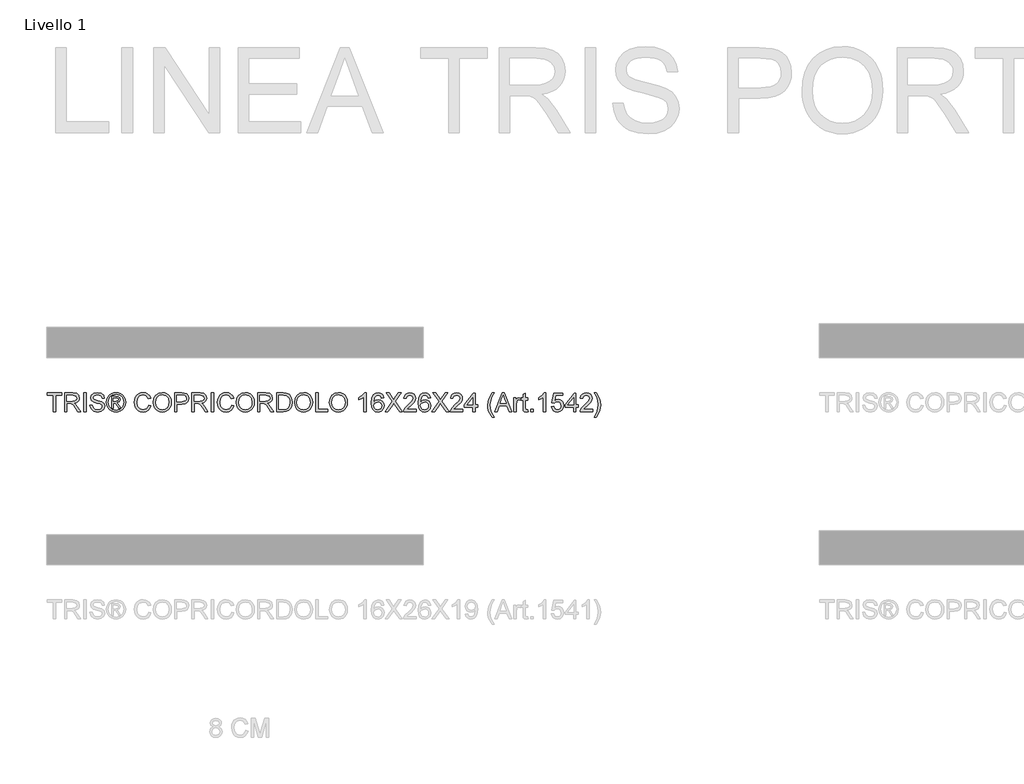
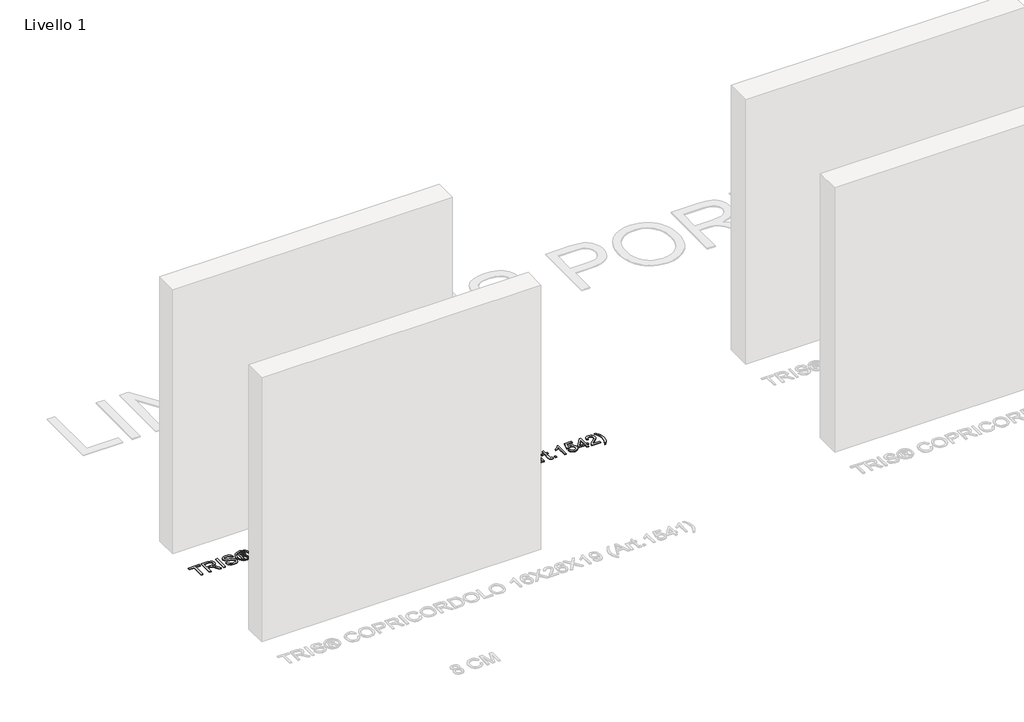
# One storey, part 3 of 19: 1 proxy.
"""IFC4 building model written with IfcOpenShell, lengths in millimetres."""

from ifc_helpers import new_model, si_unit, origin, origin_with_axes, place, context, project, spatial, polyline, outline, extrude, element, save

model = new_model("IFC4")

# Units and contexts
model_context = context("Model", 3, world=origin())
ifc_project = project(units=[si_unit("LENGTHUNIT", "METRE", prefix="MILLI")], contexts=[model_context])

# Site, building, storey
site = spatial("IfcSite", under=ifc_project)
building = spatial("IfcBuilding", under=site)
storey = spatial("IfcBuildingStorey", under=building, Name="Livello 1", Elevation=0.0)

# Proxy
placement = place(None, origin())
element("IfcBuildingElementProxy", 1, Name="100", ObjectType="100", at=placement, inside=storey, context=model_context, shape_type="SweptSolid", body=[
    extrude(outline(polyline([(-5200.6104208, -3056.1057849), (-5200.6104208, -2968.2065135), (-5233.5726476, -2968.2065135), (-5233.5726476, -2955.6494748), (-5155.0911553, -2955.6494748), (-5155.0911553, -2968.2065135), (-5188.053382, -2968.2065135), (-5188.053382, -3056.1057849), (-5200.6104208, -3056.1057849)])), origin_with_axes(), (0.0, 0.0, 1.0), 5.0),
    extrude(outline(polyline([(-5140.9644866, -3056.1057849), (-5140.9644866, -2955.6494748), (-5097.6770385, -2955.6494748), (-5077.5784189, -2958.3595388), (-5066.59101, -2967.9489961), (-5062.4829943, -2983.1425225), (-5064.1844486, -2993.0385482), (-5069.2888112, -3001.2423167), (-5077.9493666, -3007.2571873), (-5090.3193986, -3010.5865194), (-5083.1824879, -3015.9575965), (-5073.0044194, -3028.8825173), (-5056.2535259, -3056.1057849), (-5070.8461784, -3056.1057849), (-5083.9182519, -3035.283664), (-5093.3605565, -3021.5003519), (-5099.9946951, -3014.9888406), (-5105.9666462, -3012.5976076), (-5113.2507097, -3012.1561492), (-5128.4074479, -3012.1561492), (-5128.4074479, -3056.1057849), (-5140.9644866, -3056.1057849)]), holes=[polyline([(-5128.4074479, -2999.5991105), (-5100.3012634, -2999.5991105), (-5085.9661284, -2997.8210142), (-5077.8236735, -2992.131106), (-5075.0400331, -2983.6085064), (-5080.3497966, -2972.5475211), (-5097.1374783, -2968.2065135), (-5128.4074479, -2968.2065135), (-5128.4074479, -2999.5991105)])]), origin_with_axes(), (0.0, 0.0, 1.0), 5.0),
    extrude(outline(polyline([(-5038.9385466, -3056.1057849), (-5038.9385466, -2955.6494748), (-5026.3815079, -2955.6494748), (-5026.3815079, -3056.1057849), (-5038.9385466, -3056.1057849)])), origin_with_axes(), (0.0, 0.0, 1.0), 5.0),
    extrude(outline(polyline([(-5005.9763199, -3021.5739283), (-4993.4192811, -3021.5739283), (-4989.3725792, -3034.1432298), (-4979.4888162, -3042.0894809), (-4964.4301799, -3045.118376), (-4951.3090554, -3042.8252449), (-4942.8355068, -3036.5222), (-4940.0518663, -3028.0977024), (-4942.136531, -3020.2618159), (-4950.6713933, -3014.5596449), (-4968.9551284, -3009.7649163), (-4988.6368152, -3003.572236), (-4999.3176558, -2994.2280333), (-5002.8370602, -2981.744571), (-4998.4837899, -2967.5320632), (-4985.7673356, -2957.5011475), (-4967.1525067, -2954.0798449), (-4947.2868789, -2957.660563), (-4934.0431271, -2968.1819881), (-4929.0644574, -2983.902812), (-4941.6214962, -2983.902812), (-4943.92689, -2976.410282), (-4948.7338814, -2971.0024167), (-4966.6619973, -2966.6368837), (-4984.6391642, -2970.9533658), (-4990.2800214, -2981.376689), (-4986.2823704, -2990.0832295), (-4965.7790805, -2997.0975129), (-4943.559008, -3003.4005578), (-4931.4066395, -3013.5786263), (-4927.4948276, -3027.7788713), (-4931.9952506, -3042.8007194), (-4944.9446969, -3053.7636029), (-4963.9396706, -3057.6754148), (-4986.3682095, -3053.4570346), (-5000.5561918, -3040.752843), (-5005.9763199, -3021.5739283)])), origin_with_axes(), (0.0, 0.0, 1.0), 5.0),
    extrude(outline(polyline([(-4891.3933411, -3037.2702268), (-4891.3933411, -2974.4850329), (-4871.1107804, -2974.4850329), (-4856.0521441, -2976.2140783), (-4848.6331905, -2982.247343), (-4845.8740756, -2991.4076047), (-4850.632016, -3003.3269814), (-4863.2381058, -3009.0168895), (-4858.3330125, -3012.352353), (-4849.7736247, -3024.8848663), (-4842.7348159, -3037.2702268), (-4853.3298173, -3037.2702268), (-4858.8480473, -3027.3128874), (-4868.0941481, -3012.8919132), (-4876.1139756, -3010.5865194), (-4881.975562, -3010.5865194), (-4881.975562, -3037.2702268), (-4891.3933411, -3037.2702268)]), holes=[polyline([(-4881.975562, -3001.1687403), (-4870.0561854, -3001.1687403), (-4858.4065889, -2998.7775073), (-4855.2918547, -2992.4376743), (-4856.7879081, -2987.8759376), (-4860.9449746, -2984.8838307), (-4870.8164749, -2983.902812), (-4881.975562, -2983.902812), (-4881.975562, -3001.1687403)])]), origin_with_axes(), (0.0, 0.0, 1.0), 5.0),
    extrude(outline(polyline([(-4867.824368, -2954.0798449), (-4854.930104, -2955.753708), (-4842.3424084, -2960.7752972), (-4831.2844888, -2968.9116207), (-4822.9795527, -2979.9296865), (-4817.7832196, -2992.6522721), (-4816.0511085, -3005.9021553), (-4817.7586941, -3019.0355425), (-4822.8814509, -3031.653895), (-4831.0852194, -3042.6321069), (-4842.0358401, -3050.8450724), (-4854.6449955, -3055.9678292), (-4867.824368, -3057.6754148), (-4880.9853463, -3055.9678292), (-4893.5883704, -3050.8450724), (-4904.5481881, -3042.6321069), (-4912.7795478, -3031.653895), (-4917.9298957, -3019.0355425), (-4919.6466783, -3005.9021553), (-4917.9053702, -2992.6522721), (-4912.6814459, -2979.9296865), (-4904.3489187, -2968.9116207), (-4893.281802, -2960.7752972), (-4880.7002378, -2955.753708), (-4867.824368, -2954.0798449)]), holes=[polyline([(-4867.824368, -2963.497624), (-4888.6464889, -2968.9790657), (-4897.6749262, -2975.6407955), (-4904.5022029, -2984.6631015), (-4910.2288993, -3005.9021553), (-4904.6125675, -3026.9572682), (-4888.8917435, -3042.6413039), (-4867.824368, -3048.2576357), (-4846.7447296, -3042.6413039), (-4831.0606939, -3026.9572682), (-4825.4688876, -3005.9021553), (-4831.1587958, -2984.6631015), (-4837.9676784, -2975.6407955), (-4847.0145098, -2968.9790657), (-4867.824368, -2963.497624)])]), origin_with_axes(), (0.0, 0.0, 1.0), 5.0),
    extrude(outline(polyline([(-4695.1896104, -3020.3967059), (-4682.6325716, -3023.6340675), (-4688.426713, -3038.2665738), (-4697.5195297, -3048.9566115), (-4709.4634318, -3055.495714), (-4723.8108296, -3057.6754148), (-4738.3758909, -3056.0260772), (-4749.942714, -3051.0780643), (-4758.8086701, -3043.0030545), (-4765.2711304, -3031.972726), (-4770.531843, -3005.1173404), (-4769.0449866, -2990.4695056), (-4764.5844174, -2977.8204964), (-4757.3831273, -2967.5719171), (-4747.6741083, -2960.1253724), (-4736.1594019, -2955.5912268), (-4723.5410494, -2954.0798449), (-4709.7730658, -2956.0357509), (-4698.3901837, -2961.9034687), (-4689.7480225, -2971.3212478), (-4684.2022014, -2983.9273375), (-4696.7592402, -2986.9194444), (-4707.0599361, -2971.4806633), (-4724.0315588, -2966.6368837), (-4743.6764573, -2972.0079608), (-4754.7742308, -2986.428935), (-4757.9748042, -3005.0928149), (-4754.1856196, -3026.7242762), (-4742.3888703, -3040.5443765), (-4725.0616284, -3045.118376), (-4714.5800572, -3043.5610089), (-4705.8459255, -3038.8889076), (-4699.2516407, -3031.1511229), (-4695.1896104, -3020.3967059)])), origin_with_axes(), (0.0, 0.0, 1.0), 5.0),
    extrude(outline(polyline([(-4670.0755328, -3007.202005), (-4666.7278067, -2984.9880639), (-4656.6846282, -2968.1819881), (-4641.3500804, -2957.6053807), (-4622.1282461, -2954.0798449), (-4608.9519393, -2955.7353139), (-4597.1367959, -2960.7017208), (-4587.3266094, -2968.6295778), (-4580.1651732, -2979.169397), (-4575.7873775, -2991.8122749), (-4574.3281122, -3006.0493081), (-4575.8640195, -3020.4764137), (-4580.4717415, -3033.2971012), (-4587.8968265, -3043.8553145), (-4597.8848226, -3051.4949973), (-4609.5987985, -3056.1303104), (-4622.2018225, -3057.6754148), (-4635.5804644, -3055.9678292), (-4647.4630528, -3050.8450724), (-4657.2487139, -3042.7700626), (-4664.3365737, -3032.205718), (-4670.0755328, -3007.202005)]), holes=[polyline([(-4657.518494, -3007.3246324), (-4655.0076994, -3023.0393249), (-4647.4753156, -3035.0138839), (-4636.1537472, -3042.592253), (-4622.2753989, -3045.118376), (-4608.1947155, -3042.5677275), (-4596.854753, -3034.915782), (-4589.3775515, -3022.5733411), (-4586.885151, -3005.9512062), (-4591.1525821, -2985.2271872), (-4603.6237818, -2971.5051888), (-4622.0546697, -2966.6368837), (-4635.5620703, -2968.9821314), (-4647.0461199, -2976.0178746), (-4654.9004005, -2988.5350595), (-4657.518494, -3007.3246324)])]), origin_with_axes(), (0.0, 0.0, 1.0), 5.0),
    extrude(outline(polyline([(-4557.0621839, -3056.1057849), (-4557.0621839, -2955.6494748), (-4519.832526, -2955.6494748), (-4504.8229406, -2956.605968), (-4492.6215211, -2961.3025948), (-4484.7120582, -2971.0146794), (-4481.7199513, -2984.7121524), (-4483.7402366, -2996.5518213), (-4489.8010924, -3006.4171901), (-4501.1349236, -3013.0758542), (-4518.9741347, -3015.2954089), (-4544.5051451, -3015.2954089), (-4544.5051451, -3056.1057849), (-4557.0621839, -3056.1057849)]), holes=[polyline([(-4544.5051451, -3002.7383702), (-4518.2383707, -3002.7383702), (-4499.7461691, -2998.1275825), (-4495.6442848, -2992.5786957), (-4494.2769901, -2985.1536108), (-4497.5020889, -2974.7548131), (-4505.9756375, -2969.0649049), (-4518.5326763, -2968.2065135), (-4544.5051451, -2968.2065135), (-4544.5051451, -3002.7383702)])]), origin_with_axes(), (0.0, 0.0, 1.0), 5.0),
    extrude(outline(polyline([(-4464.454023, -3056.1057849), (-4464.454023, -2955.6494748), (-4421.1665749, -2955.6494748), (-4401.0679552, -2958.3595388), (-4390.0805463, -2967.9489961), (-4385.9725307, -2983.1425225), (-4387.6739849, -2993.0385482), (-4392.7783476, -3001.2423167), (-4401.4389029, -3007.2571873), (-4413.808935, -3010.5865194), (-4406.6720243, -3015.9575965), (-4396.4939557, -3028.8825173), (-4379.7430622, -3056.1057849), (-4394.3357147, -3056.1057849), (-4407.4077883, -3035.283664), (-4416.8500928, -3021.5003519), (-4423.4842314, -3014.9888406), (-4429.4561825, -3012.5976076), (-4436.740246, -3012.1561492), (-4451.8969842, -3012.1561492), (-4451.8969842, -3056.1057849), (-4464.454023, -3056.1057849)]), holes=[polyline([(-4451.8969842, -2999.5991105), (-4423.7907998, -2999.5991105), (-4409.4556647, -2997.8210142), (-4401.3132099, -2992.131106), (-4398.5295694, -2983.6085064), (-4403.8393329, -2972.5475211), (-4420.6270146, -2968.2065135), (-4451.8969842, -2968.2065135), (-4451.8969842, -2999.5991105)])]), origin_with_axes(), (0.0, 0.0, 1.0), 5.0),
    extrude(outline(polyline([(-4362.428083, -3056.1057849), (-4362.428083, -2955.6494748), (-4349.8710442, -2955.6494748), (-4349.8710442, -3056.1057849), (-4362.428083, -3056.1057849)])), origin_with_axes(), (0.0, 0.0, 1.0), 5.0),
    extrude(outline(polyline([(-4254.1236236, -3020.3967059), (-4241.5665848, -3023.6340675), (-4247.3607263, -3038.2665738), (-4256.4535429, -3048.9566115), (-4268.397445, -3055.495714), (-4282.7448428, -3057.6754148), (-4297.3099042, -3056.0260772), (-4308.8767272, -3051.0780643), (-4317.7426833, -3043.0030545), (-4324.2051437, -3031.972726), (-4329.4658562, -3005.1173404), (-4327.9789998, -2990.4695056), (-4323.5184306, -2977.8204964), (-4316.3171406, -2967.5719171), (-4306.6081216, -2960.1253724), (-4295.0934151, -2955.5912268), (-4282.4750627, -2954.0798449), (-4268.707079, -2956.0357509), (-4257.324197, -2961.9034687), (-4248.6820358, -2971.3212478), (-4243.1362147, -2983.9273375), (-4255.6932534, -2986.9194444), (-4265.9939493, -2971.4806633), (-4282.965572, -2966.6368837), (-4302.6104706, -2972.0079608), (-4313.7082441, -2986.428935), (-4316.9088174, -3005.0928149), (-4313.1196329, -3026.7242762), (-4301.3228836, -3040.5443765), (-4283.9956416, -3045.118376), (-4273.5140704, -3043.5610089), (-4264.7799387, -3038.8889076), (-4258.185654, -3031.1511229), (-4254.1236236, -3020.3967059)])), origin_with_axes(), (0.0, 0.0, 1.0), 5.0),
    extrude(outline(polyline([(-4229.0095461, -3007.202005), (-4225.6618199, -2984.9880639), (-4215.6186414, -2968.1819881), (-4200.2840936, -2957.6053807), (-4181.0622594, -2954.0798449), (-4167.8859526, -2955.7353139), (-4156.0708092, -2960.7017208), (-4146.2606226, -2968.6295778), (-4139.0991864, -2979.169397), (-4134.7213907, -2991.8122749), (-4133.2621255, -3006.0493081), (-4134.7980328, -3020.4764137), (-4139.4057548, -3033.2971012), (-4146.8308397, -3043.8553145), (-4156.8188359, -3051.4949973), (-4168.5328117, -3056.1303104), (-4181.1358358, -3057.6754148), (-4194.5144777, -3055.9678292), (-4206.3970661, -3050.8450724), (-4216.1827272, -3042.7700626), (-4223.2705869, -3032.205718), (-4229.0095461, -3007.202005)]), holes=[polyline([(-4216.4525073, -3007.3246324), (-4213.9417127, -3023.0393249), (-4206.4093288, -3035.0138839), (-4195.0877604, -3042.592253), (-4181.2094122, -3045.118376), (-4167.1287288, -3042.5677275), (-4155.7887663, -3034.915782), (-4148.3115647, -3022.5733411), (-4145.8191642, -3005.9512062), (-4150.0865954, -2985.2271872), (-4162.557795, -2971.5051888), (-4180.988683, -2966.6368837), (-4194.4960836, -2968.9821314), (-4205.9801332, -2976.0178746), (-4213.8344138, -2988.5350595), (-4216.4525073, -3007.3246324)])]), origin_with_axes(), (0.0, 0.0, 1.0), 5.0),
    extrude(outline(polyline([(-4115.9961971, -3056.1057849), (-4115.9961971, -2955.6494748), (-4072.708749, -2955.6494748), (-4052.6101294, -2958.3595388), (-4041.6227205, -2967.9489961), (-4037.5147048, -2983.1425225), (-4039.2161591, -2993.0385482), (-4044.3205218, -3001.2423167), (-4052.9810771, -3007.2571873), (-4065.3511091, -3010.5865194), (-4058.2141984, -3015.9575965), (-4048.0361299, -3028.8825173), (-4031.2852364, -3056.1057849), (-4045.8778889, -3056.1057849), (-4058.9499624, -3035.283664), (-4068.392267, -3021.5003519), (-4075.0264056, -3014.9888406), (-4080.9983567, -3012.5976076), (-4088.2824202, -3012.1561492), (-4103.4391584, -3012.1561492), (-4103.4391584, -3056.1057849), (-4115.9961971, -3056.1057849)]), holes=[polyline([(-4103.4391584, -2999.5991105), (-4075.3329739, -2999.5991105), (-4060.9978389, -2997.8210142), (-4052.855384, -2992.131106), (-4050.0717436, -2983.6085064), (-4055.3815071, -2972.5475211), (-4072.1691888, -2968.2065135), (-4103.4391584, -2968.2065135), (-4103.4391584, -2999.5991105)])]), origin_with_axes(), (0.0, 0.0, 1.0), 5.0),
    extrude(outline(polyline([(-4015.539887, -3056.1057849), (-4015.539887, -2955.6494748), (-3980.8854031, -2955.6494748), (-3962.9572872, -2957.0964773), (-3948.1929564, -2964.2824389), (-3936.2981052, -2981.4502654), (-3932.3495052, -3005.3380696), (-3935.022781, -3025.6083675), (-3941.8899116, -3040.2378082), (-3951.062436, -3049.3490189), (-3963.0676518, -3054.3890023), (-3979.2176713, -3056.1057849), (-4015.539887, -3056.1057849)]), holes=[polyline([(-4002.9828482, -3043.5487462), (-3980.7627757, -3043.5487462), (-3964.6004934, -3041.7338616), (-3955.2808162, -3036.6080392), (-3947.6411334, -3024.1368395), (-3944.9065439, -3005.1418659), (-3946.2462475, -2991.4566556), (-3950.2653583, -2981.3521635), (-3963.3006437, -2970.2176018), (-3981.1061322, -2968.2065135), (-4002.9828482, -2968.2065135), (-4002.9828482, -3043.5487462)])]), origin_with_axes(), (0.0, 0.0, 1.0), 5.0),
    extrude(outline(polyline([(-3919.7924664, -3007.202005), (-3916.4447402, -2984.9880639), (-3906.4015618, -2968.1819881), (-3891.0670139, -2957.6053807), (-3871.8451797, -2954.0798449), (-3858.6688729, -2955.7353139), (-3846.8537295, -2960.7017208), (-3837.0435429, -2968.6295778), (-3829.8821068, -2979.169397), (-3825.504311, -2991.8122749), (-3824.0450458, -3006.0493081), (-3825.5809531, -3020.4764137), (-3830.1886751, -3033.2971012), (-3837.61376, -3043.8553145), (-3847.6017562, -3051.4949973), (-3859.3157321, -3056.1303104), (-3871.9187561, -3057.6754148), (-3885.297398, -3055.9678292), (-3897.1799864, -3050.8450724), (-3906.9656475, -3042.7700626), (-3914.0535073, -3032.205718), (-3919.7924664, -3007.202005)]), holes=[polyline([(-3907.2354276, -3007.3246324), (-3904.724633, -3023.0393249), (-3897.1922491, -3035.0138839), (-3885.8706807, -3042.592253), (-3871.9923325, -3045.118376), (-3857.9116491, -3042.5677275), (-3846.5716866, -3034.915782), (-3839.0944851, -3022.5733411), (-3836.6020845, -3005.9512062), (-3840.8695157, -2985.2271872), (-3853.3407153, -2971.5051888), (-3871.7716033, -2966.6368837), (-3885.2790039, -2968.9821314), (-3896.7630535, -2976.0178746), (-3904.6173341, -2988.5350595), (-3907.2354276, -3007.3246324)])]), origin_with_axes(), (0.0, 0.0, 1.0), 5.0),
    extrude(outline(polyline([(-3806.7791175, -3056.1057849), (-3806.7791175, -2955.6494748), (-3794.2220787, -2955.6494748), (-3794.2220787, -3043.5487462), (-3743.9939236, -3043.5487462), (-3743.9939236, -3056.1057849), (-3806.7791175, -3056.1057849)])), origin_with_axes(), (0.0, 0.0, 1.0), 5.0),
    extrude(outline(polyline([(-3734.5761445, -3007.202005), (-3731.2284184, -2984.9880639), (-3721.1852399, -2968.1819881), (-3705.8506921, -2957.6053807), (-3686.6288578, -2954.0798449), (-3673.4525511, -2955.7353139), (-3661.6374076, -2960.7017208), (-3651.8272211, -2968.6295778), (-3644.6657849, -2979.169397), (-3640.2879892, -2991.8122749), (-3638.8287239, -3006.0493081), (-3640.3646313, -3020.4764137), (-3644.9723533, -3033.2971012), (-3652.3974382, -3043.8553145), (-3662.3854344, -3051.4949973), (-3674.0994102, -3056.1303104), (-3686.7024342, -3057.6754148), (-3700.0810761, -3055.9678292), (-3711.9636646, -3050.8450724), (-3721.7493257, -3042.7700626), (-3728.8371854, -3032.205718), (-3734.5761445, -3007.202005)]), holes=[polyline([(-3722.0191058, -3007.3246324), (-3719.5083112, -3023.0393249), (-3711.9759273, -3035.0138839), (-3700.6543589, -3042.592253), (-3686.7760106, -3045.118376), (-3672.6953273, -3042.5677275), (-3661.3553648, -3034.915782), (-3653.8781632, -3022.5733411), (-3651.3857627, -3005.9512062), (-3655.6531939, -2985.2271872), (-3668.1243935, -2971.5051888), (-3686.5552814, -2966.6368837), (-3700.062682, -2968.9821314), (-3711.5467317, -2976.0178746), (-3719.4010122, -2988.5350595), (-3722.0191058, -3007.3246324)])]), origin_with_axes(), (0.0, 0.0, 1.0), 5.0),
    extrude(outline(polyline([(-3539.9420436, -3056.1057849), (-3552.4990824, -3056.1057849), (-3552.4990824, -2977.8204964), (-3564.3939336, -2986.294045), (-3577.6131599, -2992.633878), (-3577.6131599, -2980.7635523), (-3559.2067974, -2969.0158539), (-3548.0354475, -2955.6494748), (-3539.9420436, -2955.6494748), (-3539.9420436, -3056.1057849)])), origin_with_axes(), (0.0, 0.0, 1.0), 5.0),
    extrude(outline(polyline([(-3445.7642529, -2982.3331822), (-3458.3212916, -2983.902812), (-3463.0792321, -2973.4304379), (-3475.6607963, -2968.2065135), (-3486.9915618, -2971.2476714), (-3495.5632123, -2982.664276), (-3499.1316676, -3005.043764), (-3488.0584196, -2995.025111), (-3474.3364212, -2991.7509612), (-3462.7358756, -2993.98891), (-3452.9992654, -3000.7027565), (-3446.3957836, -3010.9605328), (-3444.194623, -3023.8302712), (-3448.3394268, -3041.1575132), (-3459.7437687, -3053.4202464), (-3476.2003566, -3057.6754148), (-3490.4465869, -3054.8549861), (-3501.7926807, -3046.3937003), (-3509.2147, -3031.4576912), (-3511.6887064, -3009.2130933), (-3508.9418542, -2984.203249), (-3500.7012975, -2967.1028676), (-3489.4502398, -2958.512823), (-3474.8759814, -2955.6494748), (-3463.8579157, -2957.4214397), (-3455.0348791, -2962.7373345), (-3448.8544616, -2971.1802263), (-3445.7642529, -2982.3331822)]), holes=[polyline([(-3499.1316676, -3023.6340675), (-3496.2253999, -3034.5111118), (-3488.499878, -3042.408312), (-3477.1813753, -3045.118376), (-3468.8948333, -3043.7142931), (-3462.3802563, -3039.5020442), (-3458.1588104, -3032.8801683), (-3456.7516618, -3024.2472041), (-3458.1404163, -3015.9606622), (-3462.3066799, -3009.6422889), (-3468.9316215, -3005.6415722), (-3477.69641, -3004.308), (-3492.8899365, -3009.6422889), (-3497.5712348, -3015.807378), (-3499.1316676, -3023.6340675)])]), origin_with_axes(), (0.0, 0.0, 1.0), 5.0),
    extrude(outline(polyline([(-3439.4857335, -3056.1057849), (-3400.7600221, -3001.364944), (-3433.2072141, -2955.6494748), (-3418.1485778, -2955.6494748), (-3399.8771053, -2981.376689), (-3393.7212133, -2991.4076047), (-3386.5107262, -2981.2050107), (-3368.4354575, -2955.6494748), (-3353.1560919, -2955.6494748), (-3385.6032839, -3001.5120968), (-3346.8775726, -3056.1057849), (-3361.9362089, -3056.1057849), (-3387.7369995, -3019.7099929), (-3393.1080766, -3012.1561492), (-3399.018714, -3020.4457569), (-3424.206368, -3056.1057849), (-3439.4857335, -3056.1057849)])), origin_with_axes(), (0.0, 0.0, 1.0), 5.0),
    extrude(outline(polyline([(-3274.6745996, -3043.5487462), (-3274.6745996, -3056.1057849), (-3340.5990532, -3056.1057849), (-3339.2501525, -3047.4482953), (-3331.6227325, -3034.1187043), (-3315.9019086, -3019.5628401), (-3294.2213963, -2998.6426173), (-3288.8012683, -2984.4178468), (-3293.914828, -2972.9031403), (-3307.2689444, -2968.2065135), (-3321.1871466, -2972.7927758), (-3326.4723846, -2985.4724419), (-3339.0294233, -2983.902812), (-3335.9851998, -2971.7565748), (-3329.4031778, -2962.8844873), (-3319.6267138, -2957.4582279), (-3306.9991643, -2955.6494748), (-3294.2796443, -2957.660563), (-3284.5215744, -2963.6938277), (-3278.3135657, -2972.7069366), (-3276.2442295, -2983.6575573), (-3278.4760469, -2995.5646713), (-3285.8950005, -3007.8764554), (-3303.8844301, -3025.08107), (-3318.3299297, -3037.1598622), (-3323.9953125, -3043.5487462), (-3274.6745996, -3043.5487462)])), origin_with_axes(), (0.0, 0.0, 1.0), 5.0),
    extrude(outline(polyline([(-3197.7627372, -2982.3331822), (-3210.319776, -2983.902812), (-3215.0777164, -2973.4304379), (-3227.6592807, -2968.2065135), (-3238.9900461, -2971.2476714), (-3247.5616966, -2982.664276), (-3251.130152, -3005.043764), (-3240.0569039, -2995.025111), (-3226.3349055, -2991.7509612), (-3214.7343599, -2993.98891), (-3204.9977498, -3000.7027565), (-3198.3942679, -3010.9605328), (-3196.1931073, -3023.8302712), (-3200.3379112, -3041.1575132), (-3211.742253, -3053.4202464), (-3228.1988409, -3057.6754148), (-3242.4450712, -3054.8549861), (-3253.7911651, -3046.3937003), (-3261.2131843, -3031.4576912), (-3263.6871907, -3009.2130933), (-3260.9403385, -2984.203249), (-3252.6997818, -2967.1028676), (-3241.4487241, -2958.512823), (-3226.8744657, -2955.6494748), (-3215.8564, -2957.4214397), (-3207.0333635, -2962.7373345), (-3200.8529459, -2971.1802263), (-3197.7627372, -2982.3331822)]), holes=[polyline([(-3251.130152, -3023.6340675), (-3248.2238842, -3034.5111118), (-3240.4983623, -3042.408312), (-3229.1798596, -3045.118376), (-3220.8933176, -3043.7142931), (-3214.3787406, -3039.5020442), (-3210.1572947, -3032.8801683), (-3208.7501461, -3024.2472041), (-3210.1389006, -3015.9606622), (-3214.3051642, -3009.6422889), (-3220.9301058, -3005.6415722), (-3229.6948944, -3004.308), (-3244.8884208, -3009.6422889), (-3249.5697192, -3015.807378), (-3251.130152, -3023.6340675)])]), origin_with_axes(), (0.0, 0.0, 1.0), 5.0),
    extrude(outline(polyline([(-3191.4842178, -3056.1057849), (-3152.7585064, -3001.364944), (-3185.2056984, -2955.6494748), (-3170.1470621, -2955.6494748), (-3151.8755897, -2981.376689), (-3145.7196976, -2991.4076047), (-3138.5092105, -2981.2050107), (-3120.4339418, -2955.6494748), (-3105.1545763, -2955.6494748), (-3137.6017682, -3001.5120968), (-3098.8760569, -3056.1057849), (-3113.9346932, -3056.1057849), (-3139.7354838, -3019.7099929), (-3145.1065609, -3012.1561492), (-3151.0171983, -3020.4457569), (-3176.2048523, -3056.1057849), (-3191.4842178, -3056.1057849)])), origin_with_axes(), (0.0, 0.0, 1.0), 5.0),
    extrude(outline(polyline([(-3026.673084, -3043.5487462), (-3026.673084, -3056.1057849), (-3092.5975375, -3056.1057849), (-3091.2486368, -3047.4482953), (-3083.6212168, -3034.1187043), (-3067.9003929, -3019.5628401), (-3046.2198806, -2998.6426173), (-3040.7997526, -2984.4178468), (-3045.9133123, -2972.9031403), (-3059.2674287, -2968.2065135), (-3073.1856309, -2972.7927758), (-3078.4708689, -2985.4724419), (-3091.0279077, -2983.902812), (-3087.9836841, -2971.7565748), (-3081.4016621, -2962.8844873), (-3071.6251981, -2957.4582279), (-3058.9976486, -2955.6494748), (-3046.2781286, -2957.660563), (-3036.5200587, -2963.6938277), (-3030.31205, -2972.7069366), (-3028.2427138, -2983.6575573), (-3030.4745312, -2995.5646713), (-3037.8934848, -3007.8764554), (-3055.8829144, -3025.08107), (-3070.3284141, -3037.1598622), (-3075.9937968, -3043.5487462), (-3026.673084, -3043.5487462)])), origin_with_axes(), (0.0, 0.0, 1.0), 5.0),
    extrude(outline(polyline([(-2973.3056692, -3056.1057849), (-2973.3056692, -3032.5613372), (-3018.8249347, -3032.5613372), (-3018.8249347, -3020.0042985), (-2970.1664095, -2957.2191046), (-2960.7486304, -2957.2191046), (-2960.7486304, -3020.0042985), (-2948.1915917, -3020.0042985), (-2948.1915917, -3032.5613372), (-2960.7486304, -3032.5613372), (-2960.7486304, -3056.1057849), (-2973.3056692, -3056.1057849)]), holes=[polyline([(-2973.3056692, -3020.0042985), (-2973.3056692, -2981.2050107), (-3003.3738909, -3020.0042985), (-2973.3056692, -3020.0042985)])]), origin_with_axes(), (0.0, 0.0, 1.0), 5.0),
    extrude(outline(polyline([(-2869.7100994, -3084.3591222), (-2887.5401134, -3054.9040371), (-2893.003161, -3037.7239479), (-2894.8241769, -3019.9307221), (-2889.3795234, -2989.3965165), (-2869.7100994, -2955.6494748), (-2860.2923203, -2955.6494748), (-2872.0400187, -2975.539628), (-2879.103353, -2994.8166445), (-2882.2671381, -3020.0042985), (-2876.7734337, -3052.193973), (-2860.2923203, -3084.3591222), (-2869.7100994, -3084.3591222)])), origin_with_axes(), (0.0, 0.0, 1.0), 5.0),
    extrude(outline(polyline([(-2857.8642991, -3056.1057849), (-2817.7651616, -2955.6494748), (-2807.0720583, -2955.6494748), (-2766.9729208, -3056.1057849), (-2780.2411981, -3056.1057849), (-2791.7436418, -3024.713188), (-2833.1181036, -3024.713188), (-2844.5960218, -3056.1057849), (-2857.8642991, -3056.1057849)]), holes=[polyline([(-2828.5073159, -3012.1561492), (-2796.329904, -3012.1561492), (-2805.3798011, -2987.4590046), (-2812.41861, -2968.2065135), (-2818.6726039, -2985.3007636), (-2828.5073159, -3012.1561492)])]), origin_with_axes(), (0.0, 0.0, 1.0), 5.0),
    extrude(outline(polyline([(-2755.1271206, -3056.1057849), (-2755.1271206, -2982.3331822), (-2744.1397117, -2982.3331822), (-2744.1397117, -2993.2470147), (-2736.3406134, -2983.1915735), (-2728.4924641, -2980.7635523), (-2715.8863744, -2984.638576), (-2720.0802292, -2995.895765), (-2728.9093971, -2993.3205911), (-2736.0095196, -2995.7976632), (-2740.5344681, -3002.6647938), (-2742.5700818, -3017.3310226), (-2742.5700818, -3056.1057849), (-2755.1271206, -3056.1057849)])), origin_with_axes(), (0.0, 0.0, 1.0), 5.0),
    extrude(outline(polyline([(-2681.3545178, -3045.6334108), (-2679.784888, -3056.4736669), (-2689.1781416, -3057.6754148), (-2699.6995666, -3055.5907501), (-2704.9480164, -3050.1215711), (-2706.4685954, -3035.8722752), (-2706.4685954, -2994.8902209), (-2715.8863744, -2994.8902209), (-2715.8863744, -2982.3331822), (-2706.4685954, -2982.3331822), (-2706.4685954, -2964.4050663), (-2693.9115566, -2957.0229009), (-2693.9115566, -2982.3331822), (-2681.3545178, -2982.3331822), (-2681.3545178, -2994.8902209), (-2693.9115566, -2994.8902209), (-2693.9115566, -3035.5043932), (-2693.249369, -3041.9791163), (-2691.1033907, -3044.2722474), (-2686.8236968, -3045.118376), (-2681.3545178, -3045.6334108)])), origin_with_axes(), (0.0, 0.0, 1.0), 5.0),
    extrude(outline(polyline([(-2665.6582194, -3056.1057849), (-2665.6582194, -3043.5487462), (-2653.1011806, -3043.5487462), (-2653.1011806, -3056.1057849), (-2665.6582194, -3056.1057849)])), origin_with_axes(), (0.0, 0.0, 1.0), 5.0),
    extrude(outline(polyline([(-2585.6070972, -3056.1057849), (-2598.164136, -3056.1057849), (-2598.164136, -2977.8204964), (-2610.0589872, -2986.294045), (-2623.2782135, -2992.633878), (-2623.2782135, -2980.7635523), (-2604.871851, -2969.0158539), (-2593.7005011, -2955.6494748), (-2585.6070972, -2955.6494748), (-2585.6070972, -3056.1057849)])), origin_with_axes(), (0.0, 0.0, 1.0), 5.0),
    extrude(outline(polyline([(-2555.7841301, -3029.4220775), (-2543.2270914, -3027.8524477), (-2536.8995211, -3040.7896312), (-2523.7783966, -3045.118376), (-2514.7775504, -3043.6131255), (-2508.0330472, -3039.097374), (-2503.8207983, -3032.0922877), (-2502.4167154, -3023.1190327), (-2507.6774279, -3008.2075492), (-2514.2839754, -3004.1056649), (-2523.5821928, -3002.7383702), (-2534.6063899, -3004.9211367), (-2541.6574615, -3010.5865194), (-2554.2145003, -3009.0168895), (-2543.2270914, -2957.2191046), (-2494.5685661, -2957.2191046), (-2494.5685661, -2969.7761434), (-2533.0735483, -2969.7761434), (-2538.4446254, -2997.4408694), (-2529.4744361, -2991.9962159), (-2520.0750511, -2990.1813314), (-2508.3426812, -2992.4315429), (-2498.6030054, -2999.1821775), (-2492.0455088, -3009.4706107), (-2489.8596766, -3022.3342178), (-2491.8278453, -3034.8912565), (-2497.7323513, -3045.6334108), (-2509.0385913, -3054.6649138), (-2523.8274475, -3057.6754148), (-2536.1606914, -3055.7409686), (-2545.9862063, -3049.9376301), (-2552.7215125, -3040.9398497), (-2555.7841301, -3029.4220775)])), origin_with_axes(), (0.0, 0.0, 1.0), 5.0),
    extrude(outline(polyline([(-2438.0618917, -3056.1057849), (-2438.0618917, -3032.5613372), (-2483.5811572, -3032.5613372), (-2483.5811572, -3020.0042985), (-2434.922632, -2957.2191046), (-2425.5048529, -2957.2191046), (-2425.5048529, -3020.0042985), (-2412.9478141, -3020.0042985), (-2412.9478141, -3032.5613372), (-2425.5048529, -3032.5613372), (-2425.5048529, -3056.1057849), (-2438.0618917, -3056.1057849)]), holes=[polyline([(-2438.0618917, -3020.0042985), (-2438.0618917, -2981.2050107), (-2468.1301134, -3020.0042985), (-2438.0618917, -3020.0042985)])]), origin_with_axes(), (0.0, 0.0, 1.0), 5.0),
    extrude(outline(polyline([(-2337.6055815, -3043.5487462), (-2337.6055815, -3056.1057849), (-2403.5300351, -3056.1057849), (-2402.1811344, -3047.4482953), (-2394.5537144, -3034.1187043), (-2378.8328905, -3019.5628401), (-2357.1523782, -2998.6426173), (-2351.7322501, -2984.4178468), (-2356.8458099, -2972.9031403), (-2370.1999263, -2968.2065135), (-2384.1181285, -2972.7927758), (-2389.4033665, -2985.4724419), (-2401.9604052, -2983.902812), (-2398.9161817, -2971.7565748), (-2392.3341597, -2962.8844873), (-2382.5576957, -2957.4582279), (-2369.9301462, -2955.6494748), (-2357.2106262, -2957.660563), (-2347.4525563, -2963.6938277), (-2341.2445476, -2972.7069366), (-2339.1752114, -2983.6575573), (-2341.4070288, -2995.5646713), (-2348.8259824, -3007.8764554), (-2366.8154119, -3025.08107), (-2381.2609116, -3037.1598622), (-2386.9262944, -3043.5487462), (-2337.6055815, -3043.5487462)])), origin_with_axes(), (0.0, 0.0, 1.0), 5.0),
    extrude(outline(polyline([(-2318.7700234, -3084.3591222), (-2328.1878025, -3084.3591222), (-2311.7066891, -3052.193973), (-2306.2129846, -3020.0042985), (-2309.3767698, -2995.0373737), (-2316.3665277, -2975.7358317), (-2328.1878025, -2955.6494748), (-2318.7700234, -2955.6494748), (-2299.1005994, -2989.3965165), (-2293.6559458, -3019.9307221), (-2295.4861588, -3037.7239479), (-2300.9767975, -3054.9040371), (-2318.7700234, -3084.3591222)])), origin_with_axes(), (0.0, 0.0, 1.0), 5.0),
])

save(model, "model.ifc")
